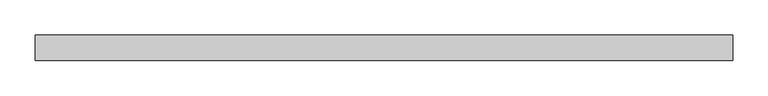
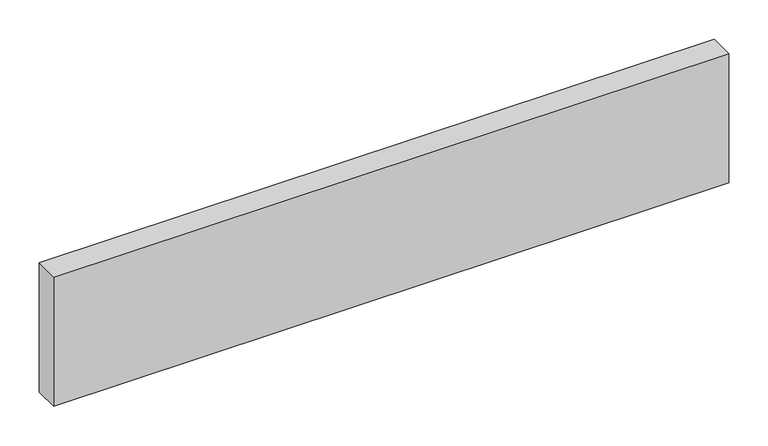
"""IFC4 building model written with IfcOpenShell, lengths in millimetres: beam geometry."""

from ifc_helpers import new_model, si_unit, frame, origin, place, context, project, spatial, polyline, outline, extrude, source, transform, mapped, element, save


def beam_9faf55c2(model_context):
    return source(origin(), model_context, "Body", "SweptSolid", [
        extrude(outline(polyline([(493.5, -18.0), (-493.5, -18.0), (-493.5, 18.0), (493.5, 18.0), (493.5, -18.0)])), frame((0.0, 0.0, -100.0), z_axis=(0.0, 0.0, 1.0), x_axis=(1.0, 0.0, 0.0)), (0.0, 0.0, 1.0), 200.0),
    ])


if __name__ == "__main__":
    model = new_model("IFC4")
    model_context = context("Model", 3, world=origin())
    ifc_project = project(units=[si_unit("LENGTHUNIT", "METRE", prefix="MILLI")], contexts=[model_context])
    site = spatial("IfcSite", under=ifc_project)
    building = spatial("IfcBuilding", under=site)
    placement = place(None, origin())
    beam_shape = beam_9faf55c2(model_context)
    element("IfcBeam", 1, at=placement, inside=building, context=model_context, shape_type="MappedRepresentation", body=[
        mapped(beam_shape, transform((0.0, 0.0, 0.0), x_axis=(1.0, 0.0, 0.0), y_axis=(0.0, 1.0, 0.0), z_axis=(0.0, 0.0, 1.0))),
    ])
    save(model, "model.ifc")
